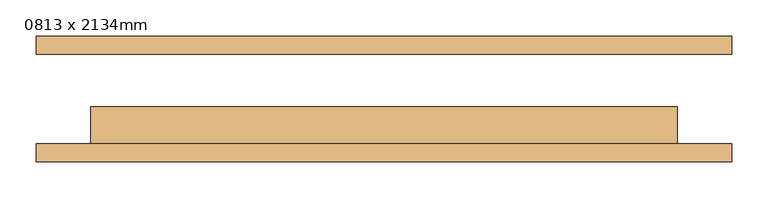
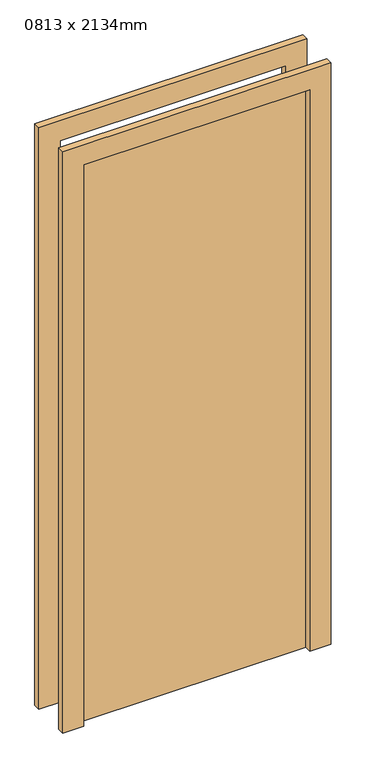
"""IFC4 building model written with IfcOpenShell, lengths in millimetres: door geometry, 0813 x 2134mm."""

import ifcopenshell
import ifcopenshell.guid

model = None  # the IFC model being written
_history = None  # IfcOwnerHistory: only IFC2X3 demands one
_inside = {}  # id of a spatial element -> (the spatial element, [elements in it])
_under = {}  # id of a project, library or spatial element -> (it, [spatial elements below it])
_declared = {}  # id of a project -> (the project, [libraries it declares])
_typed = {}  # id of a type object -> (the type object, [elements of that type])
_made_of = {}  # id of a material, layer set ... -> (it, [elements and type objects made of it])


def new_model(schema):
    """Start an empty IFC model of exactly this schema.

    Asked for "IFC4X3", IfcOpenShell would pick the latest addendum, in which some entities
    have other attributes; the version numbers below select the first issue.
    IFC2X3 requires an IfcOwnerHistory on every rooted entity: one is made here for all.
    """
    global model, _history
    if schema == "IFC4X3":
        model = ifcopenshell.file(schema_version=(4, 3, 0, 0))
    else:
        model = ifcopenshell.file(schema=schema)
    _inside.clear()
    _under.clear()
    _declared.clear()
    _typed.clear()
    _made_of.clear()
    _history = None
    if model.schema == "IFC2X3":
        org = make("IfcOrganization", Name="unknown")
        user = make(
            "IfcPersonAndOrganization",
            ThePerson=make("IfcPerson", FamilyName="unknown"),
            TheOrganization=org,
        )
        app = make(
            "IfcApplication",
            ApplicationDeveloper=org,
            Version="unknown",
            ApplicationFullName="unknown",
            ApplicationIdentifier="unknown",
        )
        _history = make(
            "IfcOwnerHistory",
            OwningUser=user,
            OwningApplication=app,
            ChangeAction="ADDED",
            CreationDate=0,
        )
    return model


def make(cls, **values):
    """One entity of the class cls with the attributes given. An attribute that is None is left unset."""
    return model.create_entity(
        cls, **{name: value for name, value in values.items() if value is not None}
    )


def rooted(cls, **values):
    """An entity with a GlobalId (a new one), such as an element, a storey or a relation."""
    return make(cls, GlobalId=ifcopenshell.guid.new(), OwnerHistory=_history, **values)


def si_unit(unit_type, name, prefix=None):
    """IfcSIUnit, for example si_unit("LENGTHUNIT", "METRE", prefix="MILLI")."""
    return make("IfcSIUnit", UnitType=unit_type, Prefix=prefix, Name=name)


def assignment(units):
    """IfcUnitAssignment: the units of a project."""
    return None if units is None else make("IfcUnitAssignment", Units=units)


def point(xyz):
    """IfcCartesianPoint."""
    return None if xyz is None else make("IfcCartesianPoint", Coordinates=xyz)


def direction(xyz):
    """IfcDirection."""
    return None if xyz is None else make("IfcDirection", DirectionRatios=xyz)


def frame(location, z_axis=None, x_axis=None):
    """IfcAxis2Placement3D, a coordinate frame: its origin and axes. An axis left out is left unset."""
    return make(
        "IfcAxis2Placement3D",
        Location=point(location),
        Axis=direction(z_axis),
        RefDirection=direction(x_axis),
    )


def origin():
    """The frame at (0, 0, 0) with its axes left unset."""
    return frame((0.0, 0.0, 0.0))


def origin_with_axes():
    """The frame at (0, 0, 0) with the z axis (0, 0, 1) and the x axis (1, 0, 0) written out."""
    return frame((0.0, 0.0, 0.0), z_axis=(0.0, 0.0, 1.0), x_axis=(1.0, 0.0, 0.0))


def place(relative_to, where):
    """IfcLocalPlacement: puts the frame where relative to a parent placement (None: the world)."""
    return make(
        "IfcLocalPlacement", PlacementRelTo=relative_to, RelativePlacement=where
    )


def context(
    kind, dimensions, precision=None, world=None, true_north=None, identifier=None
):
    """IfcGeometricRepresentationContext, for example the 3D "Model" context."""
    return make(
        "IfcGeometricRepresentationContext",
        ContextIdentifier=identifier,
        ContextType=kind,
        CoordinateSpaceDimension=dimensions,
        Precision=precision,
        WorldCoordinateSystem=world,
        TrueNorth=true_north,
    )


def project(units=None, contexts=None):
    """IfcProject with its units and contexts."""
    return rooted(
        "IfcProject",
        Name="project",
        RepresentationContexts=contexts,
        UnitsInContext=assignment(units),
    )


def spatial(cls, under=None, at=None, **own):
    """A site, building, storey or space (cls), placed at a placement, below another one or the project."""
    s = rooted(cls, ObjectPlacement=at, **own)
    if under is not None:
        _under.setdefault(under.id(), (under, []))[1].append(s)
    return s


def polyline(points):
    """IfcPolyline through the points."""
    return make("IfcPolyline", Points=[point(p) for p in points])


def outline(outer, holes=None, kind="AREA"):
    """IfcArbitraryClosedProfileDef: a profile drawn as a closed curve; with holes, ...WithVoids."""
    if holes is None:
        return make("IfcArbitraryClosedProfileDef", ProfileType=kind, OuterCurve=outer)
    return make(
        "IfcArbitraryProfileDefWithVoids",
        ProfileType=kind,
        OuterCurve=outer,
        InnerCurves=holes,
    )


def extrude(swept, where, along, depth):
    """IfcExtrudedAreaSolid: the profile swept, set in the frame where, extruded along a direction by depth."""
    return make(
        "IfcExtrudedAreaSolid",
        SweptArea=swept,
        Position=where,
        ExtrudedDirection=direction(along),
        Depth=depth,
    )


def shape(context_of_items, identifier, shape_type, items):
    """IfcShapeRepresentation: the items that make up one representation, for example the "Body"."""
    return make(
        "IfcShapeRepresentation",
        ContextOfItems=context_of_items,
        RepresentationIdentifier=identifier,
        RepresentationType=shape_type,
        Items=items,
    )


def source(mapping_origin, context_of_items, identifier, shape_type, items):
    """IfcRepresentationMap: a shape defined once, which mapped items show again and again."""
    return make(
        "IfcRepresentationMap",
        MappingOrigin=mapping_origin,
        MappedRepresentation=shape(context_of_items, identifier, shape_type, items),
    )


def transform(
    local_origin,
    x_axis=None,
    y_axis=None,
    z_axis=None,
    scale=None,
    scale2=None,
    scale3=None,
    uniform=True,
):
    """IfcCartesianTransformationOperator3D, or its non-uniform kind. x_axis, y_axis, z_axis: its Axis1, 2, 3."""
    if uniform:
        return make(
            "IfcCartesianTransformationOperator3D",
            Axis1=direction(x_axis),
            Axis2=direction(y_axis),
            LocalOrigin=point(local_origin),
            Scale=scale,
            Axis3=direction(z_axis),
        )
    return make(
        "IfcCartesianTransformationOperator3DnonUniform",
        Axis1=direction(x_axis),
        Axis2=direction(y_axis),
        LocalOrigin=point(local_origin),
        Scale=scale,
        Axis3=direction(z_axis),
        Scale2=scale2,
        Scale3=scale3,
    )


def mapped(mapping_source, mapping_target):
    """IfcMappedItem: shows the shape of a source again, moved by a transform."""
    return make(
        "IfcMappedItem", MappingSource=mapping_source, MappingTarget=mapping_target
    )


def made_of(thing, what):
    """Note that an element or type object is made of a material, layer set ...; save() writes the relation."""
    if what is not None:
        _made_of.setdefault(what.id(), (what, []))[1].append(thing)
    return thing


def element(
    cls,
    number,
    at=None,
    inside=None,
    cuts=None,
    type_object=None,
    material=None,
    context=None,
    identifier="Body",
    shape_type=None,
    held_by="IfcProductDefinitionShape",
    body=None,
    shapes=None,
    **own,
):
    """One element of the class cls, such as IfcWall. Its Tag is "e" and its number.

    at: its placement. inside: the storey or other place that contains it. cuts: it is an
    opening in that element (IfcRelVoidsElement). A single representation is given by context,
    identifier, shape_type and body (its items); several are given by shapes. held_by: the class
    of the entity that holds the representations. save() writes the other relations.
    """
    e = rooted(cls, Tag="e%d" % number, ObjectPlacement=at, **own)
    if body is not None:
        shapes = [shape(context, identifier, shape_type, body)]
    if shapes is not None:
        e.Representation = make(held_by, Representations=shapes)
    if inside is not None:
        _inside.setdefault(inside.id(), (inside, []))[1].append(e)
    if cuts is not None:
        rooted(
            "IfcRelVoidsElement", RelatingBuildingElement=cuts, RelatedOpeningElement=e
        )
    if type_object is not None:
        _typed.setdefault(type_object.id(), (type_object, []))[1].append(e)
    return made_of(e, material)


def aggregate(whole, parts):
    """IfcRelAggregates: a whole, such as a stair, and the parts it consists of."""
    return rooted("IfcRelAggregates", RelatingObject=whole, RelatedObjects=parts)


def save(model, path):
    """Write the relations noted so far, then the file.

    IfcRelAggregates (storeys below a building ...), IfcRelContainedInSpatialStructure (elements
    in a storey), IfcRelDefinesByType, IfcRelAssociatesMaterial and IfcRelDeclares: one each for
    every whole, place, type object, material and project.
    """
    for whole, parts in _under.values():
        aggregate(whole, parts)
    for where, things in _inside.values():
        rooted(
            "IfcRelContainedInSpatialStructure",
            RelatedElements=things,
            RelatingStructure=where,
        )
    for kind, things in _typed.values():
        rooted("IfcRelDefinesByType", RelatedObjects=things, RelatingType=kind)
    for what, things in _made_of.values():
        rooted("IfcRelAssociatesMaterial", RelatedObjects=things, RelatingMaterial=what)
    for by, libraries in _declared.values():
        rooted("IfcRelDeclares", RelatingContext=by, RelatedDefinitions=libraries)
    model.write(path)


def door_0813_x_2134mm_8d045fe4(model_context):
    return source(origin(), model_context, "Body", "SweptSolid", [
        extrude(outline(polyline([(2210.0, -482.5), (0.0, -482.5), (0.0, -406.5), (2134.0, -406.5), (2134.0, 406.5), (0.0, 406.5), (0.0, 482.5), (2210.0, 482.5), (2210.0, -482.5)])), frame((0.0, -87.0, 0.0), z_axis=(0.0, 1.0, 0.0), x_axis=(0.0, 0.0, 1.0)), (0.0, 0.0, 1.0), 25.0),
        extrude(outline(polyline([(2210.0, 482.5), (2210.0, -482.5), (0.0, -482.5), (0.0, -406.5), (2134.0, -406.5), (2134.0, 406.5), (0.0, 406.5), (0.0, 482.5), (2210.0, 482.5)])), frame((0.0, 62.0, 0.0), z_axis=(0.0, 1.0, 0.0), x_axis=(0.0, 0.0, 1.0)), (0.0, 0.0, 1.0), 25.0),
        extrude(outline(polyline([(406.5, -11.0), (406.5, -62.0), (-406.5, -62.0), (-406.5, -11.0), (406.5, -11.0)])), origin_with_axes(), (0.0, 0.0, 1.0), 2134.0),
    ])


if __name__ == "__main__":
    model = new_model("IFC4")
    model_context = context("Model", 3, world=origin())
    ifc_project = project(units=[si_unit("LENGTHUNIT", "METRE", prefix="MILLI")], contexts=[model_context])
    site = spatial("IfcSite", under=ifc_project)
    building = spatial("IfcBuilding", under=site)
    placement = place(None, origin())
    door_0813_x_2134mm_shape = door_0813_x_2134mm_8d045fe4(model_context)
    element("IfcDoor", 1, ObjectType="0813 x 2134mm", at=placement, inside=building, context=model_context, shape_type="MappedRepresentation", body=[
        mapped(door_0813_x_2134mm_shape, transform((0.0, 0.0, 0.0), x_axis=(1.0, 0.0, 0.0), y_axis=(0.0, 1.0, 0.0), z_axis=(0.0, 0.0, 1.0))),
    ])
    save(model, "model.ifc")
